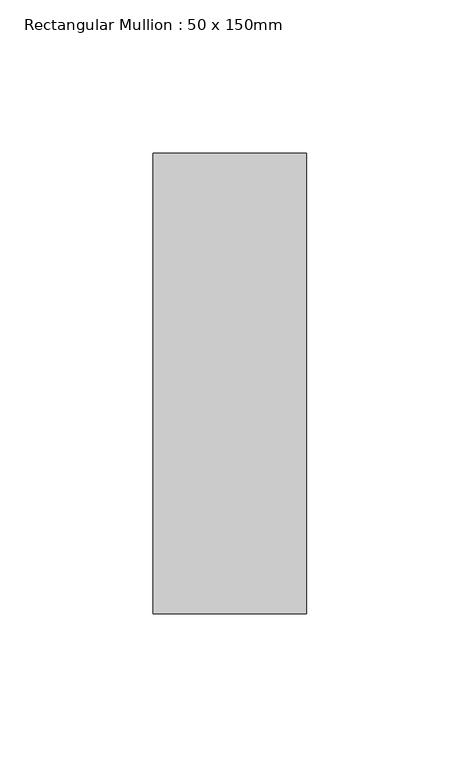
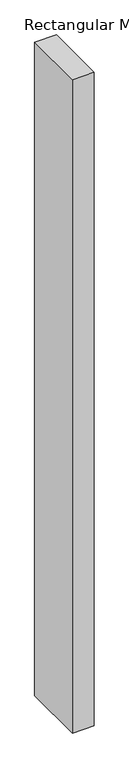
"""IFC4 building model written with IfcOpenShell, lengths in millimetres: member geometry, Rectangular Mullion : 50 x 150mm."""

from ifc_helpers import new_model, si_unit, frame, origin, place, context, project, spatial, polyline, outline, extrude, source, transform, mapped, element, save


def rectangular_mullion_50_x_150mm_8df608a9(model_context):
    return source(origin(), model_context, "Body", "SweptSolid", [
        extrude(outline(polyline([(25.0, 75.0), (25.0, -75.0), (-25.0, -75.0), (-25.0, 75.0), (25.0, 75.0)])), frame((0.0, 0.0, -1585.6350987), z_axis=(0.0, 0.0, 1.0), x_axis=(1.0, 0.0, 0.0)), (0.0, 0.0, 1.0), 1585.6350987),
    ])


if __name__ == "__main__":
    model = new_model("IFC4")
    model_context = context("Model", 3, world=origin())
    ifc_project = project(units=[si_unit("LENGTHUNIT", "METRE", prefix="MILLI")], contexts=[model_context])
    site = spatial("IfcSite", under=ifc_project)
    building = spatial("IfcBuilding", under=site)
    placement = place(None, origin())
    rectangular_mullion_50_x_150mm_shape = rectangular_mullion_50_x_150mm_8df608a9(model_context)
    element("IfcMember", 1, ObjectType="Rectangular Mullion : 50 x 150mm", at=placement, inside=building, context=model_context, shape_type="MappedRepresentation", body=[
        mapped(rectangular_mullion_50_x_150mm_shape, transform((0.0, 0.0, 0.0), x_axis=(1.0, 0.0, 0.0), y_axis=(0.0, 1.0, 0.0), z_axis=(0.0, 0.0, 1.0))),
    ])
    save(model, "model.ifc")
